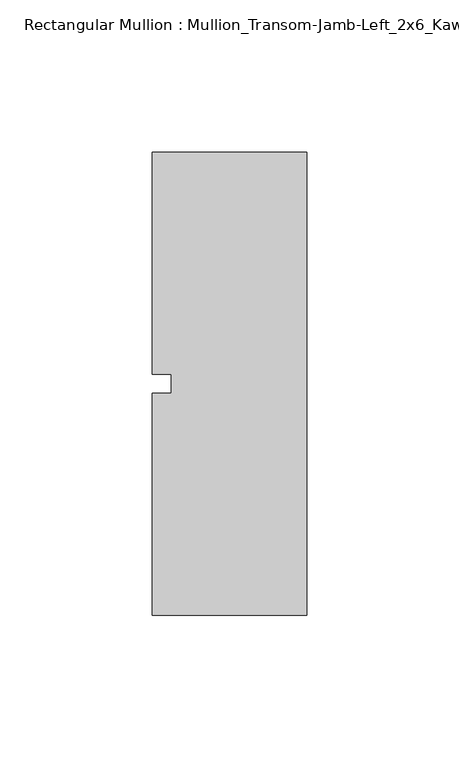
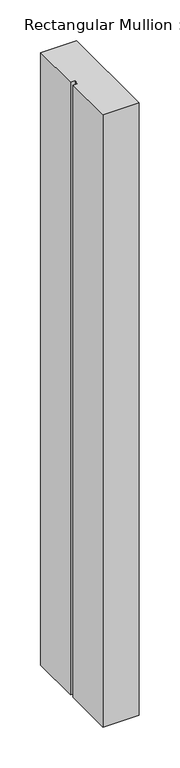
"""IFC4 building model written with IfcOpenShell, lengths in millimetres: member geometry, Rectangular Mullion : Mullion_Transom-Jamb-Left_2x6_Kawneer."""

from ifc_helpers import new_model, si_unit, frame, origin, place, context, project, spatial, polyline, outline, extrude, source, transform, mapped, element, save


def rectangular_mullion_mullion_transom_jamb_left_2x6_kawneer_5b18aaeb(model_context):
    return source(origin(), model_context, "Body", "SweptSolid", [
        extrude(outline(polyline([(-25.4, 76.2), (25.4, 76.2), (25.4, -76.2), (-25.4, -76.2), (-25.4, -3.175), (-19.05, -3.175), (-19.05, 3.175), (-25.4, 3.175), (-25.4, 76.2)])), frame((0.0, 0.0, -914.4), z_axis=(0.0, 0.0, 1.0), x_axis=(1.0, 0.0, 0.0)), (0.0, 0.0, 1.0), 914.4),
    ])


if __name__ == "__main__":
    model = new_model("IFC4")
    model_context = context("Model", 3, world=origin())
    ifc_project = project(units=[si_unit("LENGTHUNIT", "METRE", prefix="MILLI")], contexts=[model_context])
    site = spatial("IfcSite", under=ifc_project)
    building = spatial("IfcBuilding", under=site)
    placement = place(None, origin())
    rectangular_mullion_mullion_transom_jamb_left_2x6_kawneer_shape = rectangular_mullion_mullion_transom_jamb_left_2x6_kawneer_5b18aaeb(model_context)
    element("IfcMember", 1, ObjectType="Rectangular Mullion : Mullion_Transom-Jamb-Left_2x6_Kawneer", at=placement, inside=building, context=model_context, shape_type="MappedRepresentation", body=[
        mapped(rectangular_mullion_mullion_transom_jamb_left_2x6_kawneer_shape, transform((0.0, 0.0, 0.0), x_axis=(1.0, 0.0, 0.0), y_axis=(0.0, 1.0, 0.0), z_axis=(0.0, 0.0, 1.0))),
    ])
    save(model, "model.ifc")
